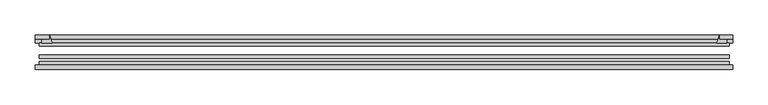
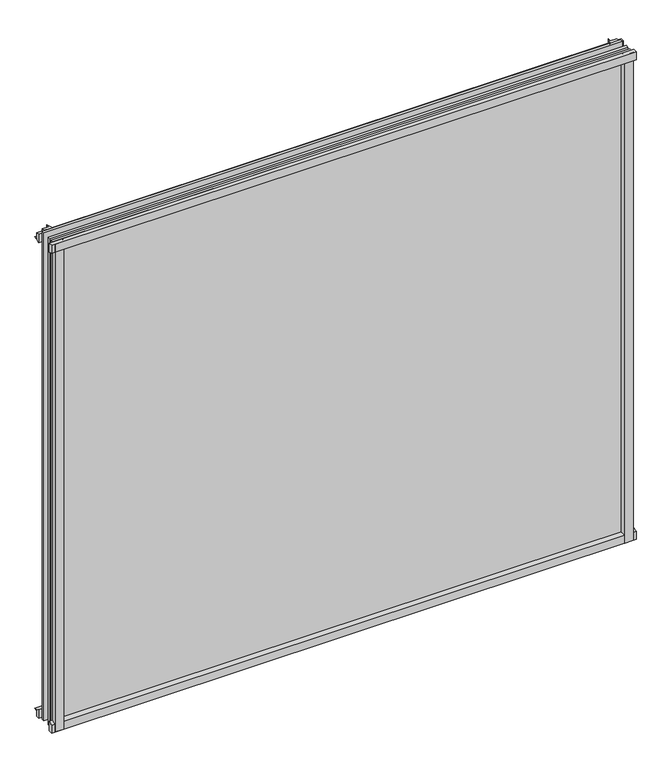
"""IFC4 building model written with IfcOpenShell, lengths in millimetres: plate geometry."""

import ifcopenshell
import ifcopenshell.guid

model = None  # the IFC model being written
_history = None  # IfcOwnerHistory: only IFC2X3 demands one
_inside = {}  # id of a spatial element -> (the spatial element, [elements in it])
_under = {}  # id of a project, library or spatial element -> (it, [spatial elements below it])
_declared = {}  # id of a project -> (the project, [libraries it declares])
_typed = {}  # id of a type object -> (the type object, [elements of that type])
_made_of = {}  # id of a material, layer set ... -> (it, [elements and type objects made of it])


def new_model(schema):
    """Start an empty IFC model of exactly this schema.

    Asked for "IFC4X3", IfcOpenShell would pick the latest addendum, in which some entities
    have other attributes; the version numbers below select the first issue.
    IFC2X3 requires an IfcOwnerHistory on every rooted entity: one is made here for all.
    """
    global model, _history
    if schema == "IFC4X3":
        model = ifcopenshell.file(schema_version=(4, 3, 0, 0))
    else:
        model = ifcopenshell.file(schema=schema)
    _inside.clear()
    _under.clear()
    _declared.clear()
    _typed.clear()
    _made_of.clear()
    _history = None
    if model.schema == "IFC2X3":
        org = make("IfcOrganization", Name="unknown")
        user = make(
            "IfcPersonAndOrganization",
            ThePerson=make("IfcPerson", FamilyName="unknown"),
            TheOrganization=org,
        )
        app = make(
            "IfcApplication",
            ApplicationDeveloper=org,
            Version="unknown",
            ApplicationFullName="unknown",
            ApplicationIdentifier="unknown",
        )
        _history = make(
            "IfcOwnerHistory",
            OwningUser=user,
            OwningApplication=app,
            ChangeAction="ADDED",
            CreationDate=0,
        )
    return model


def make(cls, **values):
    """One entity of the class cls with the attributes given. An attribute that is None is left unset."""
    return model.create_entity(
        cls, **{name: value for name, value in values.items() if value is not None}
    )


def rooted(cls, **values):
    """An entity with a GlobalId (a new one), such as an element, a storey or a relation."""
    return make(cls, GlobalId=ifcopenshell.guid.new(), OwnerHistory=_history, **values)


def si_unit(unit_type, name, prefix=None):
    """IfcSIUnit, for example si_unit("LENGTHUNIT", "METRE", prefix="MILLI")."""
    return make("IfcSIUnit", UnitType=unit_type, Prefix=prefix, Name=name)


def assignment(units):
    """IfcUnitAssignment: the units of a project."""
    return None if units is None else make("IfcUnitAssignment", Units=units)


def point(xyz):
    """IfcCartesianPoint."""
    return None if xyz is None else make("IfcCartesianPoint", Coordinates=xyz)


def direction(xyz):
    """IfcDirection."""
    return None if xyz is None else make("IfcDirection", DirectionRatios=xyz)


def frame(location, z_axis=None, x_axis=None):
    """IfcAxis2Placement3D, a coordinate frame: its origin and axes. An axis left out is left unset."""
    return make(
        "IfcAxis2Placement3D",
        Location=point(location),
        Axis=direction(z_axis),
        RefDirection=direction(x_axis),
    )


def frame_2d(location, x_axis=None):
    """IfcAxis2Placement2D, a coordinate frame in the plane: its origin and x axis."""
    return make(
        "IfcAxis2Placement2D", Location=point(location), RefDirection=direction(x_axis)
    )


def origin():
    """The frame at (0, 0, 0) with its axes left unset."""
    return frame((0.0, 0.0, 0.0))


def place(relative_to, where):
    """IfcLocalPlacement: puts the frame where relative to a parent placement (None: the world)."""
    return make(
        "IfcLocalPlacement", PlacementRelTo=relative_to, RelativePlacement=where
    )


def context(
    kind, dimensions, precision=None, world=None, true_north=None, identifier=None
):
    """IfcGeometricRepresentationContext, for example the 3D "Model" context."""
    return make(
        "IfcGeometricRepresentationContext",
        ContextIdentifier=identifier,
        ContextType=kind,
        CoordinateSpaceDimension=dimensions,
        Precision=precision,
        WorldCoordinateSystem=world,
        TrueNorth=true_north,
    )


def project(units=None, contexts=None):
    """IfcProject with its units and contexts."""
    return rooted(
        "IfcProject",
        Name="project",
        RepresentationContexts=contexts,
        UnitsInContext=assignment(units),
    )


def spatial(cls, under=None, at=None, **own):
    """A site, building, storey or space (cls), placed at a placement, below another one or the project."""
    s = rooted(cls, ObjectPlacement=at, **own)
    if under is not None:
        _under.setdefault(under.id(), (under, []))[1].append(s)
    return s


def polyline(points):
    """IfcPolyline through the points."""
    return make("IfcPolyline", Points=[point(p) for p in points])


def circle_curve(where, radius):
    """IfcCircle in the frame where."""
    return make("IfcCircle", Position=where, Radius=radius)


def trimmed(basis, trim1, trim2, sense, master):
    """IfcTrimmedCurve: the piece of a basis curve between two trims."""
    return make(
        "IfcTrimmedCurve",
        BasisCurve=basis,
        Trim1=trim1,
        Trim2=trim2,
        SenseAgreement=sense,
        MasterRepresentation=master,
    )


def segment(curve, same_sense, transition):
    """IfcCompositeCurveSegment."""
    return make(
        "IfcCompositeCurveSegment",
        Transition=transition,
        SameSense=same_sense,
        ParentCurve=curve,
    )


def composite_curve(segments, self_intersect=None):
    """IfcCompositeCurve: segments joined end to end."""
    return make("IfcCompositeCurve", Segments=segments, SelfIntersect=self_intersect)


def outline(outer, holes=None, kind="AREA"):
    """IfcArbitraryClosedProfileDef: a profile drawn as a closed curve; with holes, ...WithVoids."""
    if holes is None:
        return make("IfcArbitraryClosedProfileDef", ProfileType=kind, OuterCurve=outer)
    return make(
        "IfcArbitraryProfileDefWithVoids",
        ProfileType=kind,
        OuterCurve=outer,
        InnerCurves=holes,
    )


def extrude(swept, where, along, depth):
    """IfcExtrudedAreaSolid: the profile swept, set in the frame where, extruded along a direction by depth."""
    return make(
        "IfcExtrudedAreaSolid",
        SweptArea=swept,
        Position=where,
        ExtrudedDirection=direction(along),
        Depth=depth,
    )


def shape(context_of_items, identifier, shape_type, items):
    """IfcShapeRepresentation: the items that make up one representation, for example the "Body"."""
    return make(
        "IfcShapeRepresentation",
        ContextOfItems=context_of_items,
        RepresentationIdentifier=identifier,
        RepresentationType=shape_type,
        Items=items,
    )


def source(mapping_origin, context_of_items, identifier, shape_type, items):
    """IfcRepresentationMap: a shape defined once, which mapped items show again and again."""
    return make(
        "IfcRepresentationMap",
        MappingOrigin=mapping_origin,
        MappedRepresentation=shape(context_of_items, identifier, shape_type, items),
    )


def transform(
    local_origin,
    x_axis=None,
    y_axis=None,
    z_axis=None,
    scale=None,
    scale2=None,
    scale3=None,
    uniform=True,
):
    """IfcCartesianTransformationOperator3D, or its non-uniform kind. x_axis, y_axis, z_axis: its Axis1, 2, 3."""
    if uniform:
        return make(
            "IfcCartesianTransformationOperator3D",
            Axis1=direction(x_axis),
            Axis2=direction(y_axis),
            LocalOrigin=point(local_origin),
            Scale=scale,
            Axis3=direction(z_axis),
        )
    return make(
        "IfcCartesianTransformationOperator3DnonUniform",
        Axis1=direction(x_axis),
        Axis2=direction(y_axis),
        LocalOrigin=point(local_origin),
        Scale=scale,
        Axis3=direction(z_axis),
        Scale2=scale2,
        Scale3=scale3,
    )


def mapped(mapping_source, mapping_target):
    """IfcMappedItem: shows the shape of a source again, moved by a transform."""
    return make(
        "IfcMappedItem", MappingSource=mapping_source, MappingTarget=mapping_target
    )


def made_of(thing, what):
    """Note that an element or type object is made of a material, layer set ...; save() writes the relation."""
    if what is not None:
        _made_of.setdefault(what.id(), (what, []))[1].append(thing)
    return thing


def element(
    cls,
    number,
    at=None,
    inside=None,
    cuts=None,
    type_object=None,
    material=None,
    context=None,
    identifier="Body",
    shape_type=None,
    held_by="IfcProductDefinitionShape",
    body=None,
    shapes=None,
    **own,
):
    """One element of the class cls, such as IfcWall. Its Tag is "e" and its number.

    at: its placement. inside: the storey or other place that contains it. cuts: it is an
    opening in that element (IfcRelVoidsElement). A single representation is given by context,
    identifier, shape_type and body (its items); several are given by shapes. held_by: the class
    of the entity that holds the representations. save() writes the other relations.
    """
    e = rooted(cls, Tag="e%d" % number, ObjectPlacement=at, **own)
    if body is not None:
        shapes = [shape(context, identifier, shape_type, body)]
    if shapes is not None:
        e.Representation = make(held_by, Representations=shapes)
    if inside is not None:
        _inside.setdefault(inside.id(), (inside, []))[1].append(e)
    if cuts is not None:
        rooted(
            "IfcRelVoidsElement", RelatingBuildingElement=cuts, RelatedOpeningElement=e
        )
    if type_object is not None:
        _typed.setdefault(type_object.id(), (type_object, []))[1].append(e)
    return made_of(e, material)


def aggregate(whole, parts):
    """IfcRelAggregates: a whole, such as a stair, and the parts it consists of."""
    return rooted("IfcRelAggregates", RelatingObject=whole, RelatedObjects=parts)


def save(model, path):
    """Write the relations noted so far, then the file.

    IfcRelAggregates (storeys below a building ...), IfcRelContainedInSpatialStructure (elements
    in a storey), IfcRelDefinesByType, IfcRelAssociatesMaterial and IfcRelDeclares: one each for
    every whole, place, type object, material and project.
    """
    for whole, parts in _under.values():
        aggregate(whole, parts)
    for where, things in _inside.values():
        rooted(
            "IfcRelContainedInSpatialStructure",
            RelatedElements=things,
            RelatingStructure=where,
        )
    for kind, things in _typed.values():
        rooted("IfcRelDefinesByType", RelatedObjects=things, RelatingType=kind)
    for what, things in _made_of.values():
        rooted("IfcRelAssociatesMaterial", RelatedObjects=things, RelatingMaterial=what)
    for by, libraries in _declared.values():
        rooted("IfcRelDeclares", RelatingContext=by, RelatedDefinitions=libraries)
    model.write(path)


def plate_ba4818e7(model_context):
    return source(origin(), model_context, "Body", "SweptSolid", [
        extrude(outline(composite_curve([segment(polyline([(-85.1328625, 855.6813002), (-78.7828625, 855.6813002), (-78.7828625, 839.4311909)]), True, "CONTINUOUS"), segment(trimmed(circle_curve(frame_2d((-85.0581856, 830.3814356)), 11.0126179), [point((-78.7828625, 839.4311909))], [point((-85.1328625, 841.3938002))], True, "CARTESIAN"), True, "CONTINUOUS"), segment(polyline([(-85.1328625, 841.3938002), (-85.1328625, 855.6813002)]), True, "CONTINUOUS")], self_intersect=False)), frame((-493.89665, 0.0, 0.0), z_axis=(1.0, 0.0, 0.0), x_axis=(0.0, 1.0, 0.0)), (0.0, 0.0, 1.0), 986.602675),
        extrude(outline(composite_curve([segment(polyline([(-488.1419625, -78.7828625), (-471.2807469, -78.7828625)]), True, "CONTINUOUS"), segment(trimmed(circle_curve(frame_2d((-460.7183434, -86.7604812)), 13.2365693), [point((-471.2807469, -78.7828625))], [point((-473.8544625, -85.1328625))], True, "CARTESIAN"), True, "CONTINUOUS"), segment(polyline([(-473.8544625, -85.1328625), (-488.1419625, -85.1328625), (-488.1419625, -78.7828625)]), True, "CONTINUOUS")], self_intersect=False)), frame((0.0, 0.0, -14.2875), z_axis=(0.0, 0.0, 1.0), x_axis=(1.0, 0.0, 0.0)), (0.0, 0.0, 1.0), 869.95),
        extrude(outline(composite_curve([segment(polyline([(488.1419625, -78.7828625), (488.1419625, -85.1328625), (473.8544625, -85.1328625)]), True, "CONTINUOUS"), segment(trimmed(circle_curve(frame_2d((460.7183434, -86.7604812)), 13.2365693), [point((473.8544625, -85.1328625))], [point((471.2807469, -78.7828625))], True, "CARTESIAN"), True, "CONTINUOUS"), segment(polyline([(471.2807469, -78.7828625), (488.1419625, -78.7828625)]), True, "CONTINUOUS")], self_intersect=False)), frame((0.0, 0.0, -14.2875), z_axis=(0.0, 0.0, 1.0), x_axis=(1.0, 0.0, 0.0)), (0.0, 0.0, 1.0), 869.95),
        extrude(outline(composite_curve([segment(polyline([(-47.1852625, -10.4712201), (-47.1852625, 3.9588469)]), True, "CONTINUOUS"), segment(trimmed(circle_curve(frame_2d((-30.6824422, 32.267054)), 32.7673262), [point((-47.1852625, 3.9588469))], [point((-36.3503395, -0.00635))], True, "CARTESIAN"), True, "CONTINUOUS"), segment(polyline([(-36.3503395, -0.00635), (-42.2830625, -0.00635), (-42.2830625, -10.4712201), (-47.1852625, -10.4712201)]), True, "CONTINUOUS")], self_intersect=False)), frame((-493.89665, 0.0, 0.0), z_axis=(1.0, 0.0, 0.0), x_axis=(0.0, 1.0, 0.0)), (0.0, 0.0, 1.0), 986.602675),
        extrude(outline(composite_curve([segment(polyline([(-78.7828625, -14.2875), (-85.1328625, -14.2875), (-85.1328625, -0.0127)]), True, "CONTINUOUS"), segment(trimmed(circle_curve(frame_2d((-86.7604812, 13.1234191)), 13.2365693), [point((-85.1328625, -0.0127))], [point((-78.7828625, 2.5610156))], True, "CARTESIAN"), True, "CONTINUOUS"), segment(polyline([(-78.7828625, 2.5610156), (-78.7828625, -14.2875)]), True, "CONTINUOUS")], self_intersect=False)), frame((-493.89665, 0.0, 0.0), z_axis=(1.0, 0.0, 0.0), x_axis=(0.0, 1.0, 0.0)), (0.0, 0.0, 1.0), 986.602675),
        extrude(outline(composite_curve([segment(polyline([(-47.1852625, 837.4034531), (-47.1852625, 852.0752564), (-42.2830625, 852.0752564), (-42.2830625, 841.375), (-36.3140625, 841.375)]), True, "CONTINUOUS"), segment(trimmed(circle_curve(frame_2d((-30.6824422, 809.095246)), 32.7673262), [point((-36.3140625, 841.375))], [point((-47.1852625, 837.4034531))], True, "CARTESIAN"), True, "CONTINUOUS")], self_intersect=False)), frame((-493.89665, 0.0, 0.0), z_axis=(1.0, 0.0, 0.0), x_axis=(0.0, 1.0, 0.0)), (0.0, 0.0, 1.0), 986.602675),
        extrude(outline(composite_curve([segment(trimmed(circle_curve(frame_2d((441.5747085, -30.6824422)), 32.7673262), [point((469.8829156, -47.1852625))], [point((473.8544625, -36.3140625))], True, "CARTESIAN"), True, "CONTINUOUS"), segment(polyline([(473.8544625, -36.3140625), (473.8544625, -42.2830625), (484.5548278, -42.2830625), (484.5548278, -47.1852625), (469.8829156, -47.1852625)]), True, "CONTINUOUS")], self_intersect=False)), frame((0.0, 0.0, -14.2875), z_axis=(0.0, 0.0, 1.0), x_axis=(1.0, 0.0, 0.0)), (0.0, 0.0, 1.0), 869.95),
        extrude(outline(composite_curve([segment(polyline([(-469.8829156, -47.1852625), (-484.5496717, -47.1852625), (-484.5496717, -42.2830625), (-473.8544625, -42.2830625), (-473.8544625, -36.3140625)]), True, "CONTINUOUS"), segment(trimmed(circle_curve(frame_2d((-441.5747085, -30.6824422)), 32.7673262), [point((-473.8544625, -36.3140625))], [point((-469.8829156, -47.1852625))], True, "CARTESIAN"), True, "CONTINUOUS")], self_intersect=False)), frame((0.0, 0.0, -14.2875), z_axis=(0.0, 0.0, 1.0), x_axis=(1.0, 0.0, 0.0)), (0.0, 0.0, 1.0), 869.95),
        extrude(outline(polyline([(488.1419625, -64.6604625), (488.1419625, -69.4356625), (-488.1419625, -69.4356625), (-488.1419625, -64.6604625), (488.1419625, -64.6604625)])), frame((0.0, 0.0, -14.2875), z_axis=(0.0, 0.0, 1.0), x_axis=(1.0, 0.0, 0.0)), (0.0, 0.0, 1.0), 869.95),
        extrude(outline(polyline([(-488.1419625, -78.7828625), (-488.1419625, -74.0076625), (488.1419625, -74.0076625), (488.1419625, -78.7828625), (-488.1419625, -78.7828625)])), frame((0.0, 0.0, -14.2875), z_axis=(0.0, 0.0, 1.0), x_axis=(1.0, 0.0, 0.0)), (0.0, 0.0, 1.0), 869.95),
        extrude(outline(polyline([(-488.1419625, -47.1852625), (488.1419625, -47.1852625), (488.1419625, -51.9604625), (-488.1419625, -51.9604625), (-488.1419625, -47.1852625)])), frame((0.0, 0.0, -14.2875), z_axis=(0.0, 0.0, 1.0), x_axis=(1.0, 0.0, 0.0)), (0.0, 0.0, 1.0), 869.95),
    ])


if __name__ == "__main__":
    model = new_model("IFC4")
    model_context = context("Model", 3, world=origin())
    ifc_project = project(units=[si_unit("LENGTHUNIT", "METRE", prefix="MILLI")], contexts=[model_context])
    site = spatial("IfcSite", under=ifc_project)
    building = spatial("IfcBuilding", under=site)
    placement = place(None, origin())
    plate_shape = plate_ba4818e7(model_context)
    element("IfcPlate", 1, at=placement, inside=building, context=model_context, shape_type="MappedRepresentation", body=[
        mapped(plate_shape, transform((0.0, 0.0, 0.0), x_axis=(1.0, 0.0, 0.0), y_axis=(0.0, 1.0, 0.0), z_axis=(0.0, 0.0, 1.0))),
    ])
    save(model, "model.ifc")
